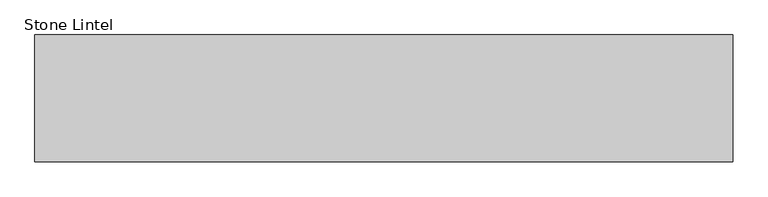
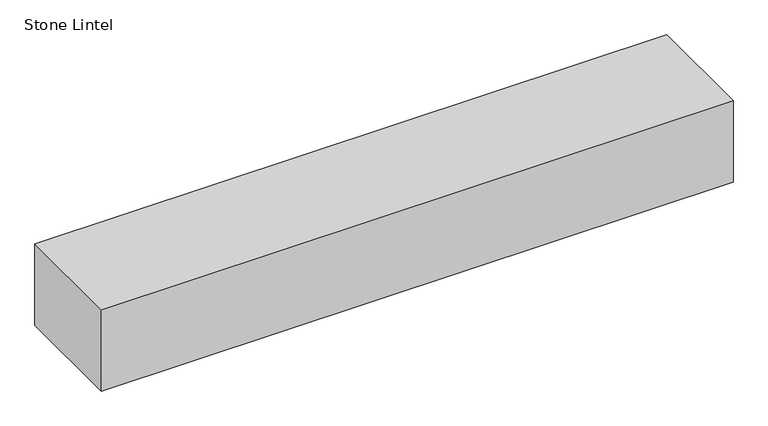
"""IFC4 building model written with IfcOpenShell, lengths in millimetres: proxy geometry, Stone Lintel."""

from ifc_helpers import new_model, si_unit, origin, origin_with_axes, place, context, project, spatial, polyline, outline, extrude, source, transform, mapped, element, save


def stone_lintel_4d1e6d8f(model_context):
    return source(origin(), model_context, "Body", "SweptSolid", [
        extrude(outline(polyline([(-558.8, 11.1125), (-558.8, 214.3125), (558.8, 214.3125), (558.8, 11.1125), (-558.8, 11.1125)])), origin_with_axes(), (0.0, 0.0, 1.0), 152.4),
    ])


if __name__ == "__main__":
    model = new_model("IFC4")
    model_context = context("Model", 3, world=origin())
    ifc_project = project(units=[si_unit("LENGTHUNIT", "METRE", prefix="MILLI")], contexts=[model_context])
    site = spatial("IfcSite", under=ifc_project)
    building = spatial("IfcBuilding", under=site)
    placement = place(None, origin())
    stone_lintel_shape = stone_lintel_4d1e6d8f(model_context)
    element("IfcBuildingElementProxy", 1, Name="Stone Lintel", ObjectType="Stone Lintel", at=placement, inside=building, context=model_context, shape_type="MappedRepresentation", body=[
        mapped(stone_lintel_shape, transform((0.0, 0.0, 0.0), x_axis=(1.0, 0.0, 0.0), y_axis=(0.0, 1.0, 0.0), z_axis=(0.0, 0.0, 1.0))),
    ])
    save(model, "model.ifc")
